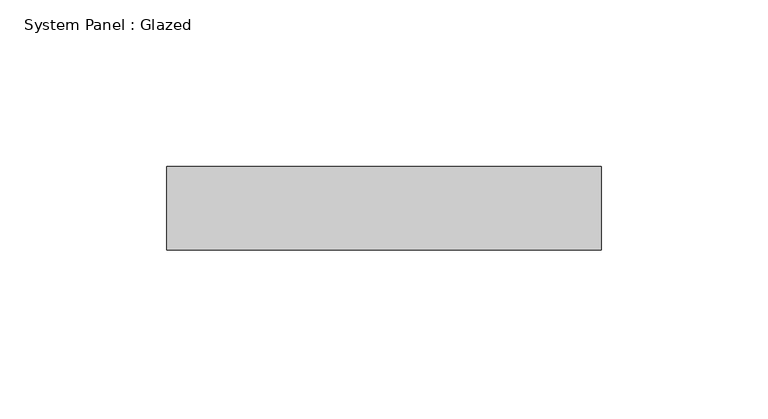
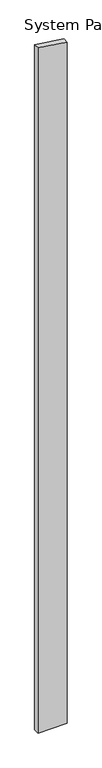
"""IFC4 building model written with IfcOpenShell, lengths in millimetres: plate geometry, System Panel : Glazed."""

from ifc_helpers import new_model, si_unit, frame, origin, place, context, project, spatial, polyline, outline, extrude, source, transform, mapped, element, save


def system_panel_glazed_be4950fb(model_context):
    return source(origin(), model_context, "Body", "SweptSolid", [
        extrude(outline(polyline([(0.0, -65.0), (0.0, 65.0), (3215.6748695, 65.0), (3234.9238591, -65.0), (0.0, -65.0)])), frame((0.0, 24.5, 0.0), z_axis=(0.0, 1.0, 0.0), x_axis=(0.0, 0.0, 1.0)), (0.0, 0.0, 1.0), 25.0),
    ])


if __name__ == "__main__":
    model = new_model("IFC4")
    model_context = context("Model", 3, world=origin())
    ifc_project = project(units=[si_unit("LENGTHUNIT", "METRE", prefix="MILLI")], contexts=[model_context])
    site = spatial("IfcSite", under=ifc_project)
    building = spatial("IfcBuilding", under=site)
    placement = place(None, origin())
    system_panel_glazed_shape = system_panel_glazed_be4950fb(model_context)
    element("IfcPlate", 1, ObjectType="System Panel : Glazed", at=placement, inside=building, context=model_context, shape_type="MappedRepresentation", body=[
        mapped(system_panel_glazed_shape, transform((0.0, 0.0, 0.0), x_axis=(1.0, 0.0, 0.0), y_axis=(0.0, 1.0, 0.0), z_axis=(0.0, 0.0, 1.0))),
    ])
    save(model, "model.ifc")
